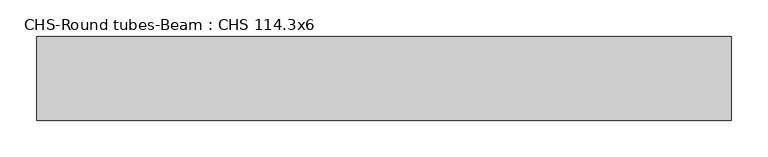
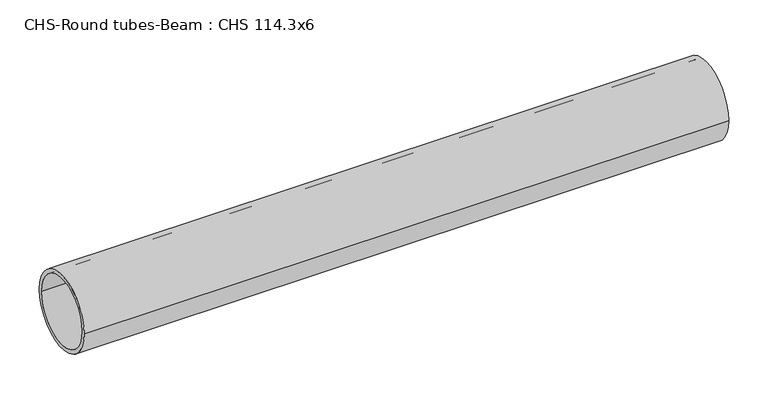
"""IFC4 building model written with IfcOpenShell, lengths in millimetres: beam geometry, CHS-Round tubes-Beam : CHS 114.3x6."""

from ifc_helpers import new_model, si_unit, point, frame, origin, origin_2d, place, context, project, spatial, circle_curve, trimmed, segment, composite_curve, outline, extrude, source, transform, mapped, element, save


def chs_round_tubes_beam_chs_114_3x6_8ded8330(model_context):
    return source(origin(), model_context, "Body", "SweptSolid", [
        extrude(outline(composite_curve([segment(trimmed(circle_curve(origin_2d(), 57.15), [point((57.15, 0.0))], [point((-57.15, 0.0))], False, "CARTESIAN"), True, "CONTINUOUS"), segment(trimmed(circle_curve(origin_2d(), 57.15), [point((-57.15, 0.0))], [point((57.15, 0.0))], False, "CARTESIAN"), True, "CONTINUOUS")], self_intersect=False), holes=[composite_curve([segment(trimmed(circle_curve(origin_2d(), 51.15), [point((51.15, 0.0))], [point((-51.15, 0.0))], True, "CARTESIAN"), True, "CONTINUOUS"), segment(trimmed(circle_curve(origin_2d(), 51.15), [point((-51.15, 0.0))], [point((51.15, 0.0))], True, "CARTESIAN"), True, "CONTINUOUS")], self_intersect=False)]), frame((-503.7499401, 0.0, 0.0), z_axis=(1.0, 0.0, 0.0), x_axis=(0.0, 1.0, 0.0)), (0.0, 0.0, 1.0), 946.1266972),
    ])


if __name__ == "__main__":
    model = new_model("IFC4")
    model_context = context("Model", 3, world=origin())
    ifc_project = project(units=[si_unit("LENGTHUNIT", "METRE", prefix="MILLI")], contexts=[model_context])
    site = spatial("IfcSite", under=ifc_project)
    building = spatial("IfcBuilding", under=site)
    placement = place(None, origin())
    chs_round_tubes_beam_chs_114_3x6_shape = chs_round_tubes_beam_chs_114_3x6_8ded8330(model_context)
    element("IfcBeam", 1, ObjectType="CHS-Round tubes-Beam : CHS 114.3x6", at=placement, inside=building, context=model_context, shape_type="MappedRepresentation", body=[
        mapped(chs_round_tubes_beam_chs_114_3x6_shape, transform((0.0, 0.0, 0.0), x_axis=(1.0, 0.0, 0.0), y_axis=(0.0, 1.0, 0.0), z_axis=(0.0, 0.0, 1.0))),
    ])
    save(model, "model.ifc")
